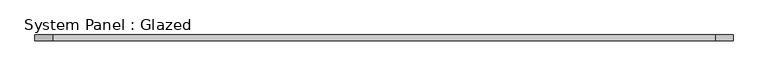
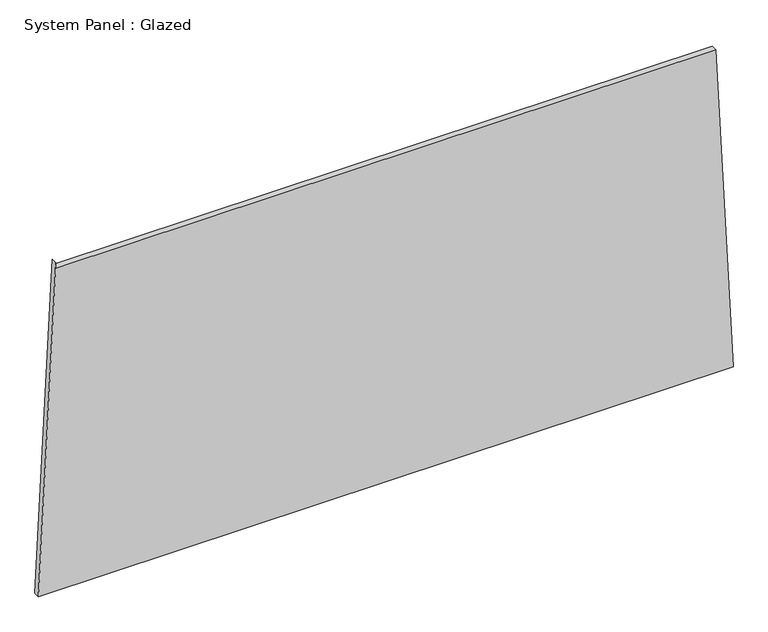
"""IFC4 building model written with IfcOpenShell, lengths in millimetres: plate geometry, System Panel : Glazed."""

from ifc_helpers import new_model, si_unit, frame, origin, place, context, project, spatial, polyline, outline, extrude, source, transform, mapped, element, save


def system_panel_glazed_35783625(model_context):
    return source(origin(), model_context, "Body", "SweptSolid", [
        extrude(outline(polyline([(0.0, -1473.7129253), (0.0, 1473.7129253), (1448.0963753, 1400.6907462), (1448.0958244, -1399.4284258), (1473.0958244, -1399.4284307), (0.0, -1473.7129253)])), frame((0.0, -49.5, 0.0), z_axis=(0.0, 1.0, 0.0), x_axis=(0.0, 0.0, 1.0)), (0.0, 0.0, 1.0), 25.0),
    ])


if __name__ == "__main__":
    model = new_model("IFC4")
    model_context = context("Model", 3, world=origin())
    ifc_project = project(units=[si_unit("LENGTHUNIT", "METRE", prefix="MILLI")], contexts=[model_context])
    site = spatial("IfcSite", under=ifc_project)
    building = spatial("IfcBuilding", under=site)
    placement = place(None, origin())
    system_panel_glazed_shape = system_panel_glazed_35783625(model_context)
    element("IfcPlate", 1, ObjectType="System Panel : Glazed", at=placement, inside=building, context=model_context, shape_type="MappedRepresentation", body=[
        mapped(system_panel_glazed_shape, transform((0.0, 0.0, 0.0), x_axis=(1.0, 0.0, 0.0), y_axis=(0.0, 1.0, 0.0), z_axis=(0.0, 0.0, 1.0))),
    ])
    save(model, "model.ifc")
